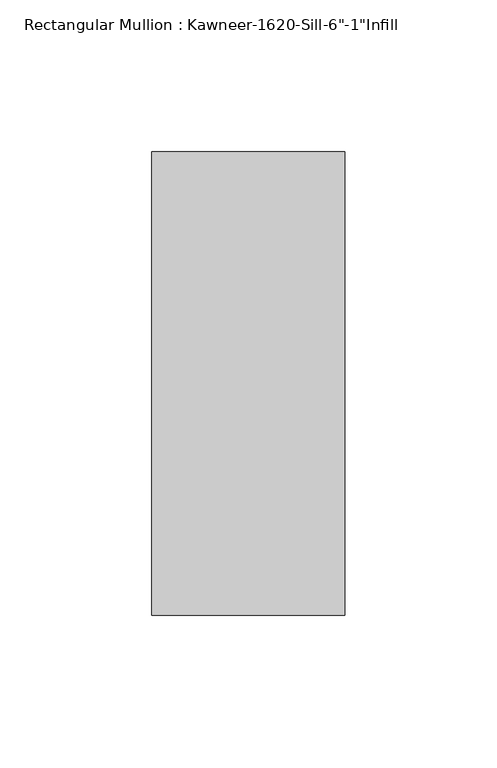
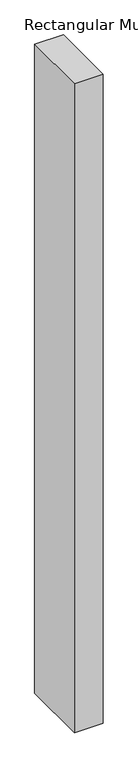
"""IFC4 building model written with IfcOpenShell, lengths in millimetres: member geometry."""

from ifc_helpers import new_model, si_unit, frame, origin, place, context, project, spatial, polyline, outline, extrude, source, transform, mapped, element, save


def member_b1630d0c(model_context):
    return source(origin(), model_context, "Body", "SweptSolid", [
        extrude(outline(polyline([(22.225, 38.1), (22.225, -114.3), (-41.275, -114.3), (-41.275, 38.1), (22.225, 38.1)])), frame((0.0, 0.0, -1524.0), z_axis=(0.0, 0.0, 1.0), x_axis=(1.0, 0.0, 0.0)), (0.0, 0.0, 1.0), 1524.0),
    ])


if __name__ == "__main__":
    model = new_model("IFC4")
    model_context = context("Model", 3, world=origin())
    ifc_project = project(units=[si_unit("LENGTHUNIT", "METRE", prefix="MILLI")], contexts=[model_context])
    site = spatial("IfcSite", under=ifc_project)
    building = spatial("IfcBuilding", under=site)
    placement = place(None, origin())
    member_shape = member_b1630d0c(model_context)
    element("IfcMember", 1, ObjectType="Rectangular Mullion : Kawneer-1620-Sill-6\"-1\"Infill", at=placement, inside=building, context=model_context, shape_type="MappedRepresentation", body=[
        mapped(member_shape, transform((0.0, 0.0, 0.0), x_axis=(1.0, 0.0, 0.0), y_axis=(0.0, 1.0, 0.0), z_axis=(0.0, 0.0, 1.0))),
    ])
    save(model, "model.ifc")
